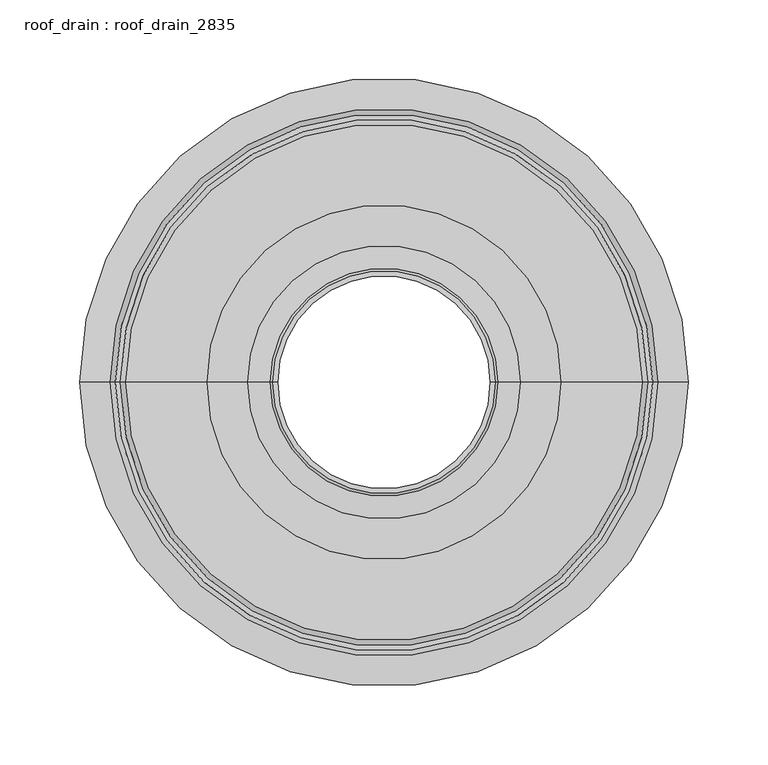
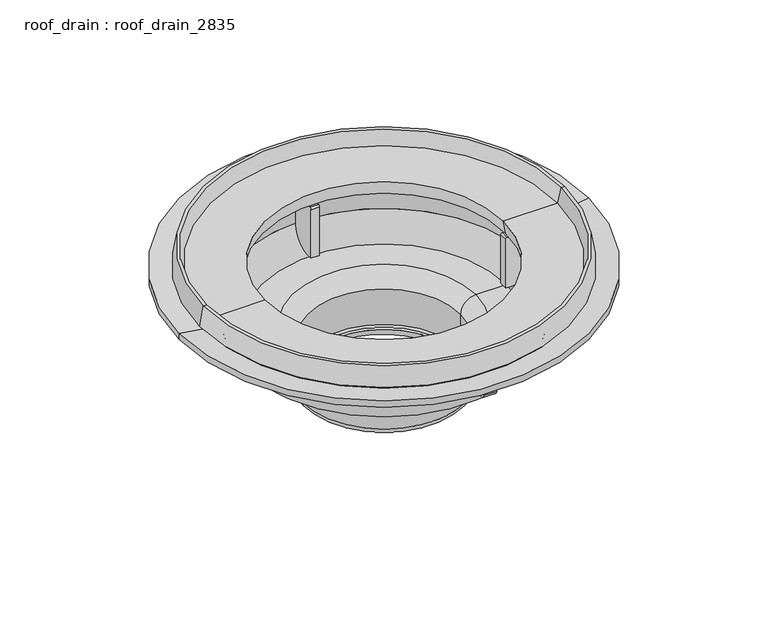
"""IFC4 building model written with IfcOpenShell, lengths in millimetres: proxy geometry, roof_drain : roof_drain_2835."""

from ifc_helpers import new_model, si_unit, point, frame, origin, place, context, project, spatial, polyline, circle_curve, ellipse_curve, trimmed, source, transform, mapped, element, save
from ifc_brep_helpers import plane_surface, cylinder_surface, revolved_surface, advanced_brep


def roof_drain_roof_drain_2835_b5ed63d7(model_context):
    return source(origin(), model_context, "Body", "AdvancedBrep", [
        advanced_brep(
        [(183.7835187, -171.3455573, 3714.6822843), (183.6727128, -168.1724914, 3711.5072843), (182.6754597, -139.6148985, 3711.5072843), (182.6754597, -139.6148985, 3724.2072843), (183.7835187, -171.3455573, 3728.1056941), (171.8164813, -171.3455573, 3714.6822843), (171.8164813, -171.3455573, 3728.1056941), (172.9245403, -139.6148985, 3724.2072843), (172.9245403, -139.6148985, 3711.5072843), (171.9272872, -168.1724914, 3711.5072843)],
        [
            (0, 1, circle_curve(frame((183.6727128, -168.1724914, 3714.6822843), z_axis=(0.9993908270190829, 0.034899496702871076, 0.0), x_axis=(0.034899496702871076, -0.9993908270190829, 0.0)), 3.175)),
            (1, 2),
            (2, 3),
            (3, 4),
            (4, 0),
            (5, 6),
            (6, 7),
            (7, 8),
            (8, 9),
            (9, 5, circle_curve(frame((171.9272872, -168.1724914, 3714.6822843), z_axis=(-0.9993908270191088, 0.0348994967021308, 0.0), x_axis=(-0.0348994967021308, -0.9993908270191088, 0.0)), 3.175)),
            (5, 0, circle_curve(frame((177.8, 0.0, 3714.6822843), z_axis=(0.0, 0.0, 1.0), x_axis=(0.034899496702871076, -0.9993908270190829, 0.0)), 171.45)),
            (4, 6, circle_curve(frame((177.8, 0.0, 3728.1056941), z_axis=(0.0, 0.0, -1.0), x_axis=(0.034899496702871076, -0.9993908270190829, 0.0)), 171.45)),
            (3, 7, circle_curve(frame((177.8, 0.0, 3724.2072843), z_axis=(0.0, 0.0, -1.0), x_axis=(0.034899496702871076, -0.9993908270190829, 0.0)), 139.7)),
            (2, 8, circle_curve(frame((177.8, 0.0, 3711.5072843), z_axis=(0.0, 0.0, -1.0), x_axis=(0.034899496702871076, -0.9993908270190829, 0.0)), 139.7)),
            (1, 9, circle_curve(frame((177.8, 0.0, 3711.5072843), z_axis=(0.0, 0.0, -1.0), x_axis=(0.034899496702871076, -0.9993908270190829, 0.0)), 168.275)),
        ],
        [
            plane_surface(frame((177.8, 0.0, 3905.1822843), z_axis=(0.9993908270190829, 0.034899496702871076, 0.0), x_axis=(0.034899496702871076, -0.9993908270190829, 0.0))),
            plane_surface(frame((177.8, 0.0, 3905.1822843), z_axis=(-0.9993908270191086, 0.03489949670213079, 0.0), x_axis=(-0.03489949670213079, -0.9993908270191086, 0.0))),
            cylinder_surface(frame((177.8, 0.0, 3905.1822843), z_axis=(0.0, 0.0, 1.0), x_axis=(0.034899496702871076, -0.9993908270190829, 0.0)), 171.45),
            revolved_surface(polyline([(183.7835187, -171.3455573, 3728.1056941), (182.6754597, -139.6148985, 3724.2072843)]), (177.8, 0.0, 3905.1822843), (0.0, 0.0, 1.0)),
            revolved_surface(polyline([(182.6754596893911, -139.61489853456587, 3724.2072843), (182.6754596893911, -139.61489853456587, 3711.5072843)]), (177.8, 0.0, 3905.1822843), (0.0, 0.0, 1.0)),
            plane_surface(frame((177.8, 0.0, 3711.5072843), z_axis=(0.0, 0.0, -1.0000000000000002), x_axis=(0.034899496702871076, -0.9993908270190829, 0.0))),
            revolved_surface(trimmed(ellipse_curve(frame((183.6727128, -168.1724914, 3714.6822843), z_axis=(-0.9993908270190829, -0.034899496702871076, 0.0), x_axis=(0.034899496702871076, -0.9993908270190829, 0.0)), 3.175, 3.175), [point((183.6727128, -168.1724914, 3711.5072843))], [point((183.7835187, -171.3455573, 3714.6822843))], True, "CARTESIAN"), (177.8, 0.0, 3905.1822843), (0.0, 0.0, 1.0)),
        ],
        [
            (0, [[1, 2, 3, 4, 5]]),
            (1, [[6, 7, 8, 9, 10]]),
            (2, [[-6, 11, -5, 12]]),
            (3, [[-7, -12, -4, 13]]),
            (4, [[-8, -13, -3, 14]]),
            (5, [[-9, -14, -2, 15]]),
            (6, [[-10, -15, -1, -11]]),
        ],
    ),
        advanced_brep(
        [(181.6782066, -111.0573057, 3725.7947843), (181.7336095, -112.6438386, 3727.3822843), (182.5092508, -134.8552997, 3727.3822843), (182.5092508, -134.8552997, 3698.8072843), (181.7890125, -114.2303715, 3678.1697843), (181.6782066, -111.0573057, 3678.1697843), (173.9217934, -111.0573057, 3725.7947843), (173.9217934, -111.0573057, 3678.1697843), (173.8109875, -114.2303715, 3678.1697843), (173.0907492, -134.8552997, 3698.8072843), (173.0907492, -134.8552997, 3727.3822843), (173.8663905, -112.6438386, 3727.3822843)],
        [
            (0, 1, circle_curve(frame((181.7336095, -112.6438386, 3725.7947843), z_axis=(0.9993908270190829, 0.034899496702871076, 0.0), x_axis=(0.034899496702871076, -0.9993908270190829, 0.0)), 1.5875)),
            (1, 2),
            (2, 3),
            (3, 4, circle_curve(frame((181.7890125, -114.2303715, 3698.8072843), z_axis=(0.9993908270190829, 0.034899496702871076, 0.0), x_axis=(0.034899496702871076, -0.9993908270190829, 0.0)), 20.6375)),
            (4, 5),
            (5, 0),
            (6, 7),
            (7, 8),
            (8, 9, circle_curve(frame((173.8109875, -114.2303715, 3698.8072843), z_axis=(-0.9993908270191088, 0.0348994967021308, 0.0), x_axis=(-0.0348994967021308, -0.9993908270191088, 0.0)), 20.6375)),
            (9, 10),
            (10, 11),
            (11, 6, circle_curve(frame((173.8663905, -112.6438386, 3725.7947843), z_axis=(-0.9993908270191088, 0.0348994967021308, 0.0), x_axis=(-0.0348994967021308, -0.9993908270191088, 0.0)), 1.5875)),
            (6, 0, circle_curve(frame((177.8, 0.0, 3725.7947843), z_axis=(0.0, 0.0, 1.0), x_axis=(0.034899496702871076, -0.9993908270190829, 0.0)), 111.125)),
            (5, 7, circle_curve(frame((177.8, 0.0, 3678.1697843), z_axis=(0.0, 0.0, -1.0), x_axis=(0.034899496702871076, -0.9993908270190829, 0.0)), 111.125)),
            (4, 8, circle_curve(frame((177.8, 0.0, 3678.1697843), z_axis=(0.0, 0.0, -1.0), x_axis=(0.034899496702871076, -0.9993908270190829, 0.0)), 114.3)),
            (3, 9, circle_curve(frame((177.8, 0.0, 3698.8072843), z_axis=(0.0, 0.0, -1.0), x_axis=(0.034899496702871076, -0.9993908270190829, 0.0)), 134.9375)),
            (2, 10, circle_curve(frame((177.8, 0.0, 3727.3822843), z_axis=(0.0, 0.0, -1.0), x_axis=(0.034899496702871076, -0.9993908270190829, 0.0)), 134.9375)),
            (1, 11, circle_curve(frame((177.8, 0.0, 3727.3822843), z_axis=(0.0, 0.0, -1.0), x_axis=(0.034899496702871076, -0.9993908270190829, 0.0)), 112.7125)),
        ],
        [
            plane_surface(frame((177.8, 0.0, 3905.1822843), z_axis=(0.9993908270190829, 0.034899496702871076, 0.0), x_axis=(0.034899496702871076, -0.9993908270190829, 0.0))),
            plane_surface(frame((177.8, 0.0, 3905.1822843), z_axis=(-0.9993908270191086, 0.03489949670213079, 0.0), x_axis=(-0.03489949670213079, -0.9993908270191086, 0.0))),
            revolved_surface(polyline([(181.67820657110656, -111.05730565249559, 3725.7947843), (181.67820657110656, -111.05730565249559, 3678.1697843)]), (177.8, 0.0, 3905.1822843), (0.0, 0.0, 1.0)),
            plane_surface(frame((177.8, 0.0, 3678.1697843), z_axis=(0.0, 0.0, -1.0000000000000002), x_axis=(0.034899496702871076, -0.9993908270190829, 0.0))),
            revolved_surface(trimmed(ellipse_curve(frame((181.7890125, -114.2303715, 3698.8072843), z_axis=(-0.9993908270190829, -0.034899496702871076, 0.0), x_axis=(0.034899496702871076, -0.9993908270190829, 0.0)), 20.6375, 20.6375), [point((181.7890125, -114.2303715, 3678.1697843))], [point((182.5092508, -134.8552997, 3698.8072843))], True, "CARTESIAN"), (177.8, 0.0, 3905.1822843), (0.0, 0.0, 1.0)),
            cylinder_surface(frame((177.8, 0.0, 3905.1822843), z_axis=(0.0, 0.0, 1.0), x_axis=(0.034899496702871076, -0.9993908270190829, 0.0)), 134.9375),
            plane_surface(frame((177.8, 0.0, 3727.3822843), z_axis=(0.0, 0.0, 1.0000000000000002), x_axis=(0.034899496702871076, -0.9993908270190829, 0.0))),
            revolved_surface(trimmed(ellipse_curve(frame((181.7336095, -112.6438386, 3725.7947843), z_axis=(-0.9993908270190829, -0.034899496702871076, 0.0), x_axis=(0.034899496702871076, -0.9993908270190829, 0.0)), 1.5875, 1.5875), [point((181.7336095, -112.6438386, 3727.3822843))], [point((181.6782066, -111.0573057, 3725.7947843))], True, "CARTESIAN"), (177.8, 0.0, 3905.1822843), (0.0, 0.0, 1.0)),
        ],
        [
            (0, [[1, 2, 3, 4, 5, 6]]),
            (1, [[7, 8, 9, 10, 11, 12]]),
            (2, [[-7, 13, -6, 14]]),
            (3, [[-8, -14, -5, 15]]),
            (4, [[-9, -15, -4, 16]]),
            (5, [[-10, -16, -3, 17]]),
            (6, [[-11, -17, -2, 18]]),
            (7, [[-12, -18, -1, -13]]),
        ],
    ),
        advanced_brep(
        [(171.8164813, 171.3455573, 3714.6822843), (171.9272872, 168.1724914, 3711.5072843), (172.9245403, 139.6148985, 3711.5072843), (172.9245403, 139.6148985, 3724.2072843), (171.8164813, 171.3455573, 3728.1056941), (183.7835187, 171.3455573, 3714.6822843), (183.7835187, 171.3455573, 3728.1056941), (182.6754597, 139.6148985, 3724.2072843), (182.6754597, 139.6148985, 3711.5072843), (183.6727128, 168.1724914, 3711.5072843)],
        [
            (0, 1, circle_curve(frame((171.9272872, 168.1724914, 3714.6822843), z_axis=(-0.9993908270190829, -0.034899496702871076, 0.0), x_axis=(-0.034899496702871076, 0.9993908270190829, 0.0)), 3.175)),
            (1, 2),
            (2, 3),
            (3, 4),
            (4, 0),
            (5, 6),
            (6, 7),
            (7, 8),
            (8, 9),
            (9, 5, circle_curve(frame((183.6727128, 168.1724914, 3714.6822843), z_axis=(0.9993908270191088, -0.0348994967021308, 0.0), x_axis=(0.0348994967021308, 0.9993908270191088, 0.0)), 3.175)),
            (5, 0, circle_curve(frame((177.8, 0.0, 3714.6822843), z_axis=(0.0, 0.0, 1.0), x_axis=(-0.034899496702871076, 0.9993908270190829, 0.0)), 171.45)),
            (4, 6, circle_curve(frame((177.8, 0.0, 3728.1056941), z_axis=(0.0, 0.0, -1.0), x_axis=(-0.034899496702871076, 0.9993908270190829, 0.0)), 171.45)),
            (3, 7, circle_curve(frame((177.8, 0.0, 3724.2072843), z_axis=(0.0, 0.0, -1.0), x_axis=(-0.034899496702871076, 0.9993908270190829, 0.0)), 139.7)),
            (2, 8, circle_curve(frame((177.8, 0.0, 3711.5072843), z_axis=(0.0, 0.0, -1.0), x_axis=(-0.034899496702871076, 0.9993908270190829, 0.0)), 139.7)),
            (1, 9, circle_curve(frame((177.8, 0.0, 3711.5072843), z_axis=(0.0, 0.0, -1.0), x_axis=(-0.034899496702871076, 0.9993908270190829, 0.0)), 168.275)),
        ],
        [
            plane_surface(frame((177.8, 0.0, 3905.1822843), z_axis=(-0.9993908270190829, -0.034899496702871076, 0.0), x_axis=(-0.034899496702871076, 0.9993908270190829, 0.0))),
            plane_surface(frame((177.8, 0.0, 3905.1822843), z_axis=(0.9993908270191086, -0.03489949670213079, 0.0), x_axis=(0.03489949670213079, 0.9993908270191086, 0.0))),
            cylinder_surface(frame((177.8, 0.0, 3905.1822843), z_axis=(0.0, 0.0, 1.0), x_axis=(-0.034899496702871076, 0.9993908270190829, 0.0)), 171.45),
            revolved_surface(polyline([(171.8164813, 171.3455573, 3728.1056941), (172.9245403, 139.6148985, 3724.2072843)]), (177.8, 0.0, 3905.1822843), (0.0, 0.0, 1.0)),
            revolved_surface(polyline([(172.92454031060893, 139.61489853456587, 3724.2072843), (172.92454031060893, 139.61489853456587, 3711.5072843)]), (177.8, 0.0, 3905.1822843), (0.0, 0.0, 1.0)),
            plane_surface(frame((177.8, 0.0, 3711.5072843), z_axis=(0.0, 0.0, -1.0000000000000002), x_axis=(-0.034899496702871076, 0.9993908270190829, 0.0))),
            revolved_surface(trimmed(ellipse_curve(frame((171.9272872, 168.1724914, 3714.6822843), z_axis=(0.9993908270190829, 0.034899496702871076, 0.0), x_axis=(-0.034899496702871076, 0.9993908270190829, 0.0)), 3.175, 3.175), [point((171.9272872, 168.1724914, 3711.5072843))], [point((171.8164813, 171.3455573, 3714.6822843))], True, "CARTESIAN"), (177.8, 0.0, 3905.1822843), (0.0, 0.0, 1.0)),
        ],
        [
            (0, [[1, 2, 3, 4, 5]]),
            (1, [[6, 7, 8, 9, 10]]),
            (2, [[-6, 11, -5, 12]]),
            (3, [[-7, -12, -4, 13]]),
            (4, [[-8, -13, -3, 14]]),
            (5, [[-9, -14, -2, 15]]),
            (6, [[-10, -15, -1, -11]]),
        ],
    ),
        advanced_brep(
        [(173.9217934, 111.0573057, 3725.7947843), (173.8663905, 112.6438386, 3727.3822843), (173.0907492, 134.8552997, 3727.3822843), (173.0907492, 134.8552997, 3698.8072843), (173.8109875, 114.2303715, 3678.1697843), (173.9217934, 111.0573057, 3678.1697843), (181.6782066, 111.0573057, 3725.7947843), (181.6782066, 111.0573057, 3678.1697843), (181.7890125, 114.2303715, 3678.1697843), (182.5092508, 134.8552997, 3698.8072843), (182.5092508, 134.8552997, 3727.3822843), (181.7336095, 112.6438386, 3727.3822843)],
        [
            (0, 1, circle_curve(frame((173.8663905, 112.6438386, 3725.7947843), z_axis=(-0.9993908270190829, -0.034899496702871076, 0.0), x_axis=(-0.034899496702871076, 0.9993908270190829, 0.0)), 1.5875)),
            (1, 2),
            (2, 3),
            (3, 4, circle_curve(frame((173.8109875, 114.2303715, 3698.8072843), z_axis=(-0.9993908270190829, -0.034899496702871076, 0.0), x_axis=(-0.034899496702871076, 0.9993908270190829, 0.0)), 20.6375)),
            (4, 5),
            (5, 0),
            (6, 7),
            (7, 8),
            (8, 9, circle_curve(frame((181.7890125, 114.2303715, 3698.8072843), z_axis=(0.9993908270191088, -0.0348994967021308, 0.0), x_axis=(0.0348994967021308, 0.9993908270191088, 0.0)), 20.6375)),
            (9, 10),
            (10, 11),
            (11, 6, circle_curve(frame((181.7336095, 112.6438386, 3725.7947843), z_axis=(0.9993908270191088, -0.0348994967021308, 0.0), x_axis=(0.0348994967021308, 0.9993908270191088, 0.0)), 1.5875)),
            (6, 0, circle_curve(frame((177.8, 0.0, 3725.7947843), z_axis=(0.0, 0.0, 1.0), x_axis=(-0.034899496702871076, 0.9993908270190829, 0.0)), 111.125)),
            (5, 7, circle_curve(frame((177.8, 0.0, 3678.1697843), z_axis=(0.0, 0.0, -1.0), x_axis=(-0.034899496702871076, 0.9993908270190829, 0.0)), 111.125)),
            (4, 8, circle_curve(frame((177.8, 0.0, 3678.1697843), z_axis=(0.0, 0.0, -1.0), x_axis=(-0.034899496702871076, 0.9993908270190829, 0.0)), 114.3)),
            (3, 9, circle_curve(frame((177.8, 0.0, 3698.8072843), z_axis=(0.0, 0.0, -1.0), x_axis=(-0.034899496702871076, 0.9993908270190829, 0.0)), 134.9375)),
            (2, 10, circle_curve(frame((177.8, 0.0, 3727.3822843), z_axis=(0.0, 0.0, -1.0), x_axis=(-0.034899496702871076, 0.9993908270190829, 0.0)), 134.9375)),
            (1, 11, circle_curve(frame((177.8, 0.0, 3727.3822843), z_axis=(0.0, 0.0, -1.0), x_axis=(-0.034899496702871076, 0.9993908270190829, 0.0)), 112.7125)),
        ],
        [
            plane_surface(frame((177.8, 0.0, 3905.1822843), z_axis=(-0.9993908270190829, -0.034899496702871076, 0.0), x_axis=(-0.034899496702871076, 0.9993908270190829, 0.0))),
            plane_surface(frame((177.8, 0.0, 3905.1822843), z_axis=(0.9993908270191086, -0.03489949670213079, 0.0), x_axis=(0.03489949670213079, 0.9993908270191086, 0.0))),
            revolved_surface(polyline([(173.92179342889347, 111.05730565249559, 3725.7947843), (173.92179342889347, 111.05730565249559, 3678.1697843)]), (177.8, 0.0, 3905.1822843), (0.0, 0.0, 1.0)),
            plane_surface(frame((177.8, 0.0, 3678.1697843), z_axis=(0.0, 0.0, -1.0000000000000002), x_axis=(-0.034899496702871076, 0.9993908270190829, 0.0))),
            revolved_surface(trimmed(ellipse_curve(frame((173.8109875, 114.2303715, 3698.8072843), z_axis=(0.9993908270190829, 0.034899496702871076, 0.0), x_axis=(-0.034899496702871076, 0.9993908270190829, 0.0)), 20.6375, 20.6375), [point((173.8109875, 114.2303715, 3678.1697843))], [point((173.0907492, 134.8552997, 3698.8072843))], True, "CARTESIAN"), (177.8, 0.0, 3905.1822843), (0.0, 0.0, 1.0)),
            cylinder_surface(frame((177.8, 0.0, 3905.1822843), z_axis=(0.0, 0.0, 1.0), x_axis=(-0.034899496702871076, 0.9993908270190829, 0.0)), 134.9375),
            plane_surface(frame((177.8, 0.0, 3727.3822843), z_axis=(0.0, 0.0, 1.0000000000000002), x_axis=(-0.034899496702871076, 0.9993908270190829, 0.0))),
            revolved_surface(trimmed(ellipse_curve(frame((173.8663905, 112.6438386, 3725.7947843), z_axis=(0.9993908270190829, 0.034899496702871076, 0.0), x_axis=(-0.034899496702871076, 0.9993908270190829, 0.0)), 1.5875, 1.5875), [point((173.8663905, 112.6438386, 3727.3822843))], [point((173.9217934, 111.0573057, 3725.7947843))], True, "CARTESIAN"), (177.8, 0.0, 3905.1822843), (0.0, 0.0, 1.0)),
        ],
        [
            (0, [[1, 2, 3, 4, 5, 6]]),
            (1, [[7, 8, 9, 10, 11, 12]]),
            (2, [[-7, 13, -6, 14]]),
            (3, [[-8, -14, -5, 15]]),
            (4, [[-9, -15, -4, 16]]),
            (5, [[-10, -16, -3, 17]]),
            (6, [[-11, -17, -2, 18]]),
            (7, [[-12, -18, -1, -13]]),
        ],
    ),
        advanced_brep(
        [(6.4544427, -5.9835187, 3714.6822843), (9.6275086, -5.8727128, 3711.5072843), (38.1851015, -4.8754597, 3711.5072843), (38.1851015, -4.8754597, 3724.2072843), (6.4544427, -5.9835187, 3728.1056941), (6.4544427, 5.9835187, 3714.6822843), (6.4544427, 5.9835187, 3728.1056941), (38.1851015, 4.8754597, 3724.2072843), (38.1851015, 4.8754597, 3711.5072843), (9.6275086, 5.8727128, 3711.5072843)],
        [
            (0, 1, circle_curve(frame((9.6275086, -5.8727128, 3714.6822843), z_axis=(0.034899496702500934, -0.9993908270190958, 0.0), x_axis=(-0.9993908270190958, -0.034899496702500934, 0.0)), 3.175)),
            (1, 2),
            (2, 3),
            (3, 4),
            (4, 0),
            (5, 6),
            (6, 7),
            (7, 8),
            (8, 9),
            (9, 5, circle_curve(frame((9.6275086, 5.8727128, 3714.6822843), z_axis=(0.03489949670250094, 0.9993908270190957, 0.0), x_axis=(-0.9993908270190957, 0.03489949670250094, 0.0)), 3.175)),
            (5, 0, circle_curve(frame((177.8, 0.0, 3714.6822843), z_axis=(0.0, 0.0, 1.0), x_axis=(-0.9993908270190958, -0.034899496702500934, 0.0)), 171.45)),
            (4, 6, circle_curve(frame((177.8, 0.0, 3728.1056941), z_axis=(0.0, 0.0, -1.0), x_axis=(-0.9993908270190958, -0.034899496702500934, 0.0)), 171.45)),
            (3, 7, circle_curve(frame((177.8, 0.0, 3724.2072843), z_axis=(0.0, 0.0, -1.0), x_axis=(-0.9993908270190958, -0.034899496702500934, 0.0)), 139.7)),
            (2, 8, circle_curve(frame((177.8, 0.0, 3711.5072843), z_axis=(0.0, 0.0, -1.0), x_axis=(-0.9993908270190958, -0.034899496702500934, 0.0)), 139.7)),
            (1, 9, circle_curve(frame((177.8, 0.0, 3711.5072843), z_axis=(0.0, 0.0, -1.0), x_axis=(-0.9993908270190958, -0.034899496702500934, 0.0)), 168.275)),
        ],
        [
            plane_surface(frame((177.8, 0.0, 3905.1822843), z_axis=(0.034899496702500934, -0.9993908270190958, 0.0), x_axis=(-0.9993908270190958, -0.034899496702500934, 0.0))),
            plane_surface(frame((177.8, 0.0, 3905.1822843), z_axis=(0.03489949670250094, 0.9993908270190958, 0.0), x_axis=(-0.9993908270190958, 0.03489949670250094, 0.0))),
            cylinder_surface(frame((177.8, 0.0, 3905.1822843), z_axis=(0.0, 0.0, 1.0), x_axis=(-0.9993908270190958, -0.034899496702500934, 0.0)), 171.45),
            revolved_surface(polyline([(6.4544427, -5.9835187, 3728.1056941), (38.1851015, -4.8754597, 3724.2072843)]), (177.8, 0.0, 3905.1822843), (0.0, 0.0, 1.0)),
            revolved_surface(polyline([(38.18510146543235, -4.8754596893393805, 3724.2072843), (38.18510146543235, -4.8754596893393805, 3711.5072843)]), (177.8, 0.0, 3905.1822843), (0.0, 0.0, 1.0)),
            plane_surface(frame((177.8, 0.0, 3711.5072843), z_axis=(0.0, 0.0, -1.0), x_axis=(-0.9993908270190958, -0.034899496702500934, 0.0))),
            revolved_surface(trimmed(ellipse_curve(frame((9.6275086, -5.8727128, 3714.6822843), z_axis=(-0.034899496702500934, 0.9993908270190958, 0.0), x_axis=(-0.9993908270190958, -0.034899496702500934, 0.0)), 3.175, 3.175), [point((9.6275086, -5.8727128, 3711.5072843))], [point((6.4544427, -5.9835187, 3714.6822843))], True, "CARTESIAN"), (177.8, 0.0, 3905.1822843), (0.0, 0.0, 1.0)),
        ],
        [
            (0, [[1, 2, 3, 4, 5]]),
            (1, [[6, 7, 8, 9, 10]]),
            (2, [[-6, 11, -5, 12]]),
            (3, [[-7, -12, -4, 13]]),
            (4, [[-8, -13, -3, 14]]),
            (5, [[-9, -14, -2, 15]]),
            (6, [[-10, -15, -1, -11]]),
        ],
    ),
        advanced_brep(
        [(66.7426943, -3.8782066, 3725.7947843), (65.1561614, -3.9336095, 3727.3822843), (42.9447003, -4.7092508, 3727.3822843), (42.9447003, -4.7092508, 3698.8072843), (63.5696285, -3.9890125, 3678.1697843), (66.7426943, -3.8782066, 3678.1697843), (66.7426943, 3.8782066, 3725.7947843), (66.7426943, 3.8782066, 3678.1697843), (63.5696285, 3.9890125, 3678.1697843), (42.9447003, 4.7092508, 3698.8072843), (42.9447003, 4.7092508, 3727.3822843), (65.1561614, 3.9336095, 3727.3822843)],
        [
            (0, 1, circle_curve(frame((65.1561614, -3.9336095, 3725.7947843), z_axis=(0.034899496702500934, -0.9993908270190958, 0.0), x_axis=(-0.9993908270190958, -0.034899496702500934, 0.0)), 1.5875)),
            (1, 2),
            (2, 3),
            (3, 4, circle_curve(frame((63.5696285, -3.9890125, 3698.8072843), z_axis=(0.034899496702500934, -0.9993908270190958, 0.0), x_axis=(-0.9993908270190958, -0.034899496702500934, 0.0)), 20.6375)),
            (4, 5),
            (5, 0),
            (6, 7),
            (7, 8),
            (8, 9, circle_curve(frame((63.5696285, 3.9890125, 3698.8072843), z_axis=(0.03489949670250094, 0.9993908270190957, 0.0), x_axis=(-0.9993908270190957, 0.03489949670250094, 0.0)), 20.6375)),
            (9, 10),
            (10, 11),
            (11, 6, circle_curve(frame((65.1561614, 3.9336095, 3725.7947843), z_axis=(0.03489949670250094, 0.9993908270190957, 0.0), x_axis=(-0.9993908270190957, 0.03489949670250094, 0.0)), 1.5875)),
            (6, 0, circle_curve(frame((177.8, 0.0, 3725.7947843), z_axis=(0.0, 0.0, 1.0), x_axis=(-0.9993908270190958, -0.034899496702500934, 0.0)), 111.125)),
            (5, 7, circle_curve(frame((177.8, 0.0, 3678.1697843), z_axis=(0.0, 0.0, -1.0), x_axis=(-0.9993908270190958, -0.034899496702500934, 0.0)), 111.125)),
            (4, 8, circle_curve(frame((177.8, 0.0, 3678.1697843), z_axis=(0.0, 0.0, -1.0), x_axis=(-0.9993908270190958, -0.034899496702500934, 0.0)), 114.3)),
            (3, 9, circle_curve(frame((177.8, 0.0, 3698.8072843), z_axis=(0.0, 0.0, -1.0), x_axis=(-0.9993908270190958, -0.034899496702500934, 0.0)), 134.9375)),
            (2, 10, circle_curve(frame((177.8, 0.0, 3727.3822843), z_axis=(0.0, 0.0, -1.0), x_axis=(-0.9993908270190958, -0.034899496702500934, 0.0)), 134.9375)),
            (1, 11, circle_curve(frame((177.8, 0.0, 3727.3822843), z_axis=(0.0, 0.0, -1.0), x_axis=(-0.9993908270190958, -0.034899496702500934, 0.0)), 112.7125)),
        ],
        [
            plane_surface(frame((177.8, 0.0, 3905.1822843), z_axis=(0.034899496702500934, -0.9993908270190958, 0.0), x_axis=(-0.9993908270190958, -0.034899496702500934, 0.0))),
            plane_surface(frame((177.8, 0.0, 3905.1822843), z_axis=(0.03489949670250094, 0.9993908270190958, 0.0), x_axis=(-0.9993908270190958, 0.03489949670250094, 0.0))),
            revolved_surface(polyline([(66.74269434750299, -3.8782065710654163, 3725.7947843), (66.74269434750299, -3.8782065710654163, 3678.1697843)]), (177.8, 0.0, 3905.1822843), (0.0, 0.0, 1.0)),
            plane_surface(frame((177.8, 0.0, 3678.1697843), z_axis=(0.0, 0.0, -1.0), x_axis=(-0.9993908270190958, -0.034899496702500934, 0.0))),
            revolved_surface(trimmed(ellipse_curve(frame((63.5696285, -3.9890125, 3698.8072843), z_axis=(-0.034899496702500934, 0.9993908270190958, 0.0), x_axis=(-0.9993908270190958, -0.034899496702500934, 0.0)), 20.6375, 20.6375), [point((63.5696285, -3.9890125, 3678.1697843))], [point((42.9447003, -4.7092508, 3698.8072843))], True, "CARTESIAN"), (177.8, 0.0, 3905.1822843), (0.0, 0.0, 1.0)),
            cylinder_surface(frame((177.8, 0.0, 3905.1822843), z_axis=(0.0, 0.0, 1.0), x_axis=(-0.9993908270190958, -0.034899496702500934, 0.0)), 134.9375),
            plane_surface(frame((177.8, 0.0, 3727.3822843), z_axis=(0.0, 0.0, 1.0), x_axis=(-0.9993908270190958, -0.034899496702500934, 0.0))),
            revolved_surface(trimmed(ellipse_curve(frame((65.1561614, -3.9336095, 3725.7947843), z_axis=(-0.034899496702500934, 0.9993908270190958, 0.0), x_axis=(-0.9993908270190958, -0.034899496702500934, 0.0)), 1.5875, 1.5875), [point((65.1561614, -3.9336095, 3727.3822843))], [point((66.7426943, -3.8782066, 3725.7947843))], True, "CARTESIAN"), (177.8, 0.0, 3905.1822843), (0.0, 0.0, 1.0)),
        ],
        [
            (0, [[1, 2, 3, 4, 5, 6]]),
            (1, [[7, 8, 9, 10, 11, 12]]),
            (2, [[-7, 13, -6, 14]]),
            (3, [[-8, -14, -5, 15]]),
            (4, [[-9, -15, -4, 16]]),
            (5, [[-10, -16, -3, 17]]),
            (6, [[-11, -17, -2, 18]]),
            (7, [[-12, -18, -1, -13]]),
        ],
    ),
        advanced_brep(
        [(349.1455573, 5.9835187, 3714.6822843), (345.9724914, 5.8727128, 3711.5072843), (317.4148985, 4.8754597, 3711.5072843), (317.4148985, 4.8754597, 3724.2072843), (349.1455573, 5.9835187, 3728.1056941), (349.1455573, -5.9835187, 3714.6822843), (349.1455573, -5.9835187, 3728.1056941), (317.4148985, -4.8754597, 3724.2072843), (317.4148985, -4.8754597, 3711.5072843), (345.9724914, -5.8727128, 3711.5072843)],
        [
            (0, 1, circle_curve(frame((345.9724914, 5.8727128, 3714.6822843), z_axis=(-0.034899496702500934, 0.9993908270190958, 0.0), x_axis=(0.9993908270190958, 0.034899496702500934, 0.0)), 3.175)),
            (1, 2),
            (2, 3),
            (3, 4),
            (4, 0),
            (5, 6),
            (6, 7),
            (7, 8),
            (8, 9),
            (9, 5, circle_curve(frame((345.9724914, -5.8727128, 3714.6822843), z_axis=(-0.03489949670250094, -0.9993908270190957, 0.0), x_axis=(0.9993908270190957, -0.03489949670250094, 0.0)), 3.175)),
            (5, 0, circle_curve(frame((177.8, 0.0, 3714.6822843), z_axis=(0.0, 0.0, 1.0), x_axis=(0.9993908270190958, 0.034899496702500934, 0.0)), 171.45)),
            (4, 6, circle_curve(frame((177.8, 0.0, 3728.1056941), z_axis=(0.0, 0.0, -1.0), x_axis=(0.9993908270190958, 0.034899496702500934, 0.0)), 171.45)),
            (3, 7, circle_curve(frame((177.8, 0.0, 3724.2072843), z_axis=(0.0, 0.0, -1.0), x_axis=(0.9993908270190958, 0.034899496702500934, 0.0)), 139.7)),
            (2, 8, circle_curve(frame((177.8, 0.0, 3711.5072843), z_axis=(0.0, 0.0, -1.0), x_axis=(0.9993908270190958, 0.034899496702500934, 0.0)), 139.7)),
            (1, 9, circle_curve(frame((177.8, 0.0, 3711.5072843), z_axis=(0.0, 0.0, -1.0), x_axis=(0.9993908270190958, 0.034899496702500934, 0.0)), 168.275)),
        ],
        [
            plane_surface(frame((177.8, 0.0, 3905.1822843), z_axis=(-0.034899496702500934, 0.9993908270190958, 0.0), x_axis=(0.9993908270190958, 0.034899496702500934, 0.0))),
            plane_surface(frame((177.8, 0.0, 3905.1822843), z_axis=(-0.03489949670250094, -0.9993908270190958, 0.0), x_axis=(0.9993908270190958, -0.03489949670250094, 0.0))),
            cylinder_surface(frame((177.8, 0.0, 3905.1822843), z_axis=(0.0, 0.0, 1.0), x_axis=(0.9993908270190958, 0.034899496702500934, 0.0)), 171.45),
            revolved_surface(polyline([(349.1455573, 5.9835187, 3728.1056941), (317.4148985, 4.8754597, 3724.2072843)]), (177.8, 0.0, 3905.1822843), (0.0, 0.0, 1.0)),
            revolved_surface(polyline([(317.41489853456767, 4.8754596893393805, 3724.2072843), (317.41489853456767, 4.8754596893393805, 3711.5072843)]), (177.8, 0.0, 3905.1822843), (0.0, 0.0, 1.0)),
            plane_surface(frame((177.8, 0.0, 3711.5072843), z_axis=(0.0, 0.0, -1.0), x_axis=(0.9993908270190958, 0.034899496702500934, 0.0))),
            revolved_surface(trimmed(ellipse_curve(frame((345.9724914, 5.8727128, 3714.6822843), z_axis=(0.034899496702500934, -0.9993908270190958, 0.0), x_axis=(0.9993908270190958, 0.034899496702500934, 0.0)), 3.175, 3.175), [point((345.9724914, 5.8727128, 3711.5072843))], [point((349.1455573, 5.9835187, 3714.6822843))], True, "CARTESIAN"), (177.8, 0.0, 3905.1822843), (0.0, 0.0, 1.0)),
        ],
        [
            (0, [[1, 2, 3, 4, 5]]),
            (1, [[6, 7, 8, 9, 10]]),
            (2, [[-6, 11, -5, 12]]),
            (3, [[-7, -12, -4, 13]]),
            (4, [[-8, -13, -3, 14]]),
            (5, [[-9, -14, -2, 15]]),
            (6, [[-10, -15, -1, -11]]),
        ],
    ),
        advanced_brep(
        [(288.8573057, 3.8782066, 3725.7947843), (290.4438386, 3.9336095, 3727.3822843), (312.6552997, 4.7092508, 3727.3822843), (312.6552997, 4.7092508, 3698.8072843), (292.0303715, 3.9890125, 3678.1697843), (288.8573057, 3.8782066, 3678.1697843), (288.8573057, -3.8782066, 3725.7947843), (288.8573057, -3.8782066, 3678.1697843), (292.0303715, -3.9890125, 3678.1697843), (312.6552997, -4.7092508, 3698.8072843), (312.6552997, -4.7092508, 3727.3822843), (290.4438386, -3.9336095, 3727.3822843)],
        [
            (0, 1, circle_curve(frame((290.4438386, 3.9336095, 3725.7947843), z_axis=(-0.034899496702500934, 0.9993908270190958, 0.0), x_axis=(0.9993908270190958, 0.034899496702500934, 0.0)), 1.5875)),
            (1, 2),
            (2, 3),
            (3, 4, circle_curve(frame((292.0303715, 3.9890125, 3698.8072843), z_axis=(-0.034899496702500934, 0.9993908270190958, 0.0), x_axis=(0.9993908270190958, 0.034899496702500934, 0.0)), 20.6375)),
            (4, 5),
            (5, 0),
            (6, 7),
            (7, 8),
            (8, 9, circle_curve(frame((292.0303715, -3.9890125, 3698.8072843), z_axis=(-0.03489949670250094, -0.9993908270190957, 0.0), x_axis=(0.9993908270190957, -0.03489949670250094, 0.0)), 20.6375)),
            (9, 10),
            (10, 11),
            (11, 6, circle_curve(frame((290.4438386, -3.9336095, 3725.7947843), z_axis=(-0.03489949670250094, -0.9993908270190957, 0.0), x_axis=(0.9993908270190957, -0.03489949670250094, 0.0)), 1.5875)),
            (6, 0, circle_curve(frame((177.8, 0.0, 3725.7947843), z_axis=(0.0, 0.0, 1.0), x_axis=(0.9993908270190958, 0.034899496702500934, 0.0)), 111.125)),
            (5, 7, circle_curve(frame((177.8, 0.0, 3678.1697843), z_axis=(0.0, 0.0, -1.0), x_axis=(0.9993908270190958, 0.034899496702500934, 0.0)), 111.125)),
            (4, 8, circle_curve(frame((177.8, 0.0, 3678.1697843), z_axis=(0.0, 0.0, -1.0), x_axis=(0.9993908270190958, 0.034899496702500934, 0.0)), 114.3)),
            (3, 9, circle_curve(frame((177.8, 0.0, 3698.8072843), z_axis=(0.0, 0.0, -1.0), x_axis=(0.9993908270190958, 0.034899496702500934, 0.0)), 134.9375)),
            (2, 10, circle_curve(frame((177.8, 0.0, 3727.3822843), z_axis=(0.0, 0.0, -1.0), x_axis=(0.9993908270190958, 0.034899496702500934, 0.0)), 134.9375)),
            (1, 11, circle_curve(frame((177.8, 0.0, 3727.3822843), z_axis=(0.0, 0.0, -1.0), x_axis=(0.9993908270190958, 0.034899496702500934, 0.0)), 112.7125)),
        ],
        [
            plane_surface(frame((177.8, 0.0, 3905.1822843), z_axis=(-0.034899496702500934, 0.9993908270190958, 0.0), x_axis=(0.9993908270190958, 0.034899496702500934, 0.0))),
            plane_surface(frame((177.8, 0.0, 3905.1822843), z_axis=(-0.03489949670250094, -0.9993908270190958, 0.0), x_axis=(0.9993908270190958, -0.03489949670250094, 0.0))),
            revolved_surface(polyline([(288.857305652497, 3.8782065710654163, 3725.7947843), (288.857305652497, 3.8782065710654163, 3678.1697843)]), (177.8, 0.0, 3905.1822843), (0.0, 0.0, 1.0)),
            plane_surface(frame((177.8, 0.0, 3678.1697843), z_axis=(0.0, 0.0, -1.0), x_axis=(0.9993908270190958, 0.034899496702500934, 0.0))),
            revolved_surface(trimmed(ellipse_curve(frame((292.0303715, 3.9890125, 3698.8072843), z_axis=(0.034899496702500934, -0.9993908270190958, 0.0), x_axis=(0.9993908270190958, 0.034899496702500934, 0.0)), 20.6375, 20.6375), [point((292.0303715, 3.9890125, 3678.1697843))], [point((312.6552997, 4.7092508, 3698.8072843))], True, "CARTESIAN"), (177.8, 0.0, 3905.1822843), (0.0, 0.0, 1.0)),
            cylinder_surface(frame((177.8, 0.0, 3905.1822843), z_axis=(0.0, 0.0, 1.0), x_axis=(0.9993908270190958, 0.034899496702500934, 0.0)), 134.9375),
            plane_surface(frame((177.8, 0.0, 3727.3822843), z_axis=(0.0, 0.0, 1.0), x_axis=(0.9993908270190958, 0.034899496702500934, 0.0))),
            revolved_surface(trimmed(ellipse_curve(frame((290.4438386, 3.9336095, 3725.7947843), z_axis=(0.034899496702500934, -0.9993908270190958, 0.0), x_axis=(0.9993908270190958, 0.034899496702500934, 0.0)), 1.5875, 1.5875), [point((290.4438386, 3.9336095, 3727.3822843))], [point((288.8573057, 3.8782066, 3725.7947843))], True, "CARTESIAN"), (177.8, 0.0, 3905.1822843), (0.0, 0.0, 1.0)),
        ],
        [
            (0, [[1, 2, 3, 4, 5, 6]]),
            (1, [[7, 8, 9, 10, 11, 12]]),
            (2, [[-7, 13, -6, 14]]),
            (3, [[-8, -14, -5, 15]]),
            (4, [[-9, -15, -4, 16]]),
            (5, [[-10, -16, -3, 17]]),
            (6, [[-11, -17, -2, 18]]),
            (7, [[-12, -18, -1, -13]]),
        ],
    ),
        advanced_brep(
        [(19.05, 0.0, 3732.1447843), (-12.7, 0.0, 3736.9072843), (368.3, 0.0, 3736.9072843), (336.55, 0.0, 3732.1447843), (42.8625, 0.0, 3732.1447843), (312.7375, 0.0, 3732.1447843), (42.8625, 0.0, 3698.8072843), (312.7375, 0.0, 3698.8072843), (63.5, 0.0, 3678.1697843), (292.1, 0.0, 3678.1697843), (92.075, 0.0, 3678.1697843), (263.525, 0.0, 3678.1697843), (106.3625, 0.0, 3663.8822843), (249.2375, 0.0, 3663.8822843), (106.3625, 0.0, 3628.9572843), (249.2375, 0.0, 3628.9572843), (107.95, 0.0, 3627.3697843), (247.65, 0.0, 3627.3697843), (111.125, 0.0, 3627.3697843), (244.475, 0.0, 3627.3697843), (111.125, 0.0, 3622.6072843), (244.475, 0.0, 3622.6072843), (107.95, 0.0, 3622.6072843), (247.65, 0.0, 3622.6072843), (101.6, 0.0, 3628.9572843), (254.0, 0.0, 3628.9572843), (101.6, 0.0, 3663.8822843), (254.0, 0.0, 3663.8822843), (92.075, 0.0, 3673.4072843), (263.525, 0.0, 3673.4072843), (63.5, 0.0, 3673.4072843), (292.1, 0.0, 3673.4072843), (38.1, 0.0, 3698.8072843), (317.5, 0.0, 3698.8072843), (38.1, 0.0, 3724.2072843), (317.5, 0.0, 3724.2072843), (-12.7, 0.0, 3730.5572843), (368.3, 0.0, 3730.5572843)],
        [
            (0, 1),
            (1, 2, circle_curve(frame((177.8, 0.0, 3736.9072843), z_axis=(0.0, 0.0, 1.0), x_axis=(1.0, 0.0, 0.0)), 190.5)),
            (2, 3),
            (3, 0, circle_curve(frame((177.8, 0.0, 3732.1447843), z_axis=(0.0, 0.0, -1.0), x_axis=(1.0, 0.0, 0.0)), 158.75)),
            (2, 1, circle_curve(frame((177.8, 0.0, 3736.9072843), z_axis=(0.0, 0.0, 1.0), x_axis=(1.0, 0.0, 0.0)), 190.5)),
            (0, 3, circle_curve(frame((177.8, 0.0, 3732.1447843), z_axis=(0.0, 0.0, -1.0), x_axis=(1.0, 0.0, 0.0)), 158.75)),
            (4, 0),
            (3, 5),
            (5, 4, circle_curve(frame((177.8, 0.0, 3732.1447843), z_axis=(0.0, 0.0, -1.0), x_axis=(1.0, 0.0, 0.0)), 134.9375)),
            (4, 5, circle_curve(frame((177.8, 0.0, 3732.1447843), z_axis=(0.0, 0.0, -1.0), x_axis=(1.0, 0.0, 0.0)), 134.9375)),
            (6, 4),
            (5, 7),
            (7, 6, circle_curve(frame((177.8, 0.0, 3698.8072843), z_axis=(0.0, 0.0, -1.0), x_axis=(1.0, 0.0, 0.0)), 134.9375)),
            (6, 7, circle_curve(frame((177.8, 0.0, 3698.8072843), z_axis=(0.0, 0.0, -1.0), x_axis=(1.0, 0.0, 0.0)), 134.9375)),
            (8, 6, circle_curve(frame((63.5, 0.0, 3698.8072843), z_axis=(0.0, 1.0, 0.0), x_axis=(-1.0, 0.0, 0.0)), 20.6375)),
            (7, 9, circle_curve(frame((292.1, 0.0, 3698.8072843), z_axis=(0.0, 1.0, 0.0), x_axis=(1.0, 0.0, 0.0)), 20.6375)),
            (9, 8, circle_curve(frame((177.8, 0.0, 3678.1697843), z_axis=(0.0, 0.0, -1.0), x_axis=(1.0, 0.0, 0.0)), 114.3)),
            (8, 9, circle_curve(frame((177.8, 0.0, 3678.1697843), z_axis=(0.0, 0.0, -1.0), x_axis=(1.0, 0.0, 0.0)), 114.3)),
            (10, 8),
            (9, 11),
            (11, 10, circle_curve(frame((177.8, 0.0, 3678.1697843), z_axis=(0.0, 0.0, -1.0), x_axis=(1.0, 0.0, 0.0)), 85.725)),
            (10, 11, circle_curve(frame((177.8, 0.0, 3678.1697843), z_axis=(0.0, 0.0, -1.0), x_axis=(1.0, 0.0, 0.0)), 85.725)),
            (12, 10, circle_curve(frame((92.075, 0.0, 3663.8822843), z_axis=(0.0, -1.0, 0.0), x_axis=(-1.0, 0.0, 0.0)), 14.2875)),
            (11, 13, circle_curve(frame((263.525, 0.0, 3663.8822843), z_axis=(0.0, -1.0, 0.0), x_axis=(1.0, 0.0, 0.0)), 14.2875)),
            (13, 12, circle_curve(frame((177.8, 0.0, 3663.8822843), z_axis=(0.0, 0.0, -1.0), x_axis=(1.0, 0.0, 0.0)), 71.4375)),
            (12, 13, circle_curve(frame((177.8, 0.0, 3663.8822843), z_axis=(0.0, 0.0, -1.0), x_axis=(1.0, 0.0, 0.0)), 71.4375)),
            (14, 12),
            (13, 15),
            (15, 14, circle_curve(frame((177.8, 0.0, 3628.9572843), z_axis=(0.0, 0.0, -1.0), x_axis=(1.0, 0.0, 0.0)), 71.4375)),
            (14, 15, circle_curve(frame((177.8, 0.0, 3628.9572843), z_axis=(0.0, 0.0, -1.0), x_axis=(1.0, 0.0, 0.0)), 71.4375)),
            (16, 14, circle_curve(frame((107.95, 0.0, 3628.9572843), z_axis=(0.0, 1.0, 0.0), x_axis=(-1.0, 0.0, 0.0)), 1.5875)),
            (15, 17, circle_curve(frame((247.65, 0.0, 3628.9572843), z_axis=(0.0, 1.0, 0.0), x_axis=(1.0, 0.0, 0.0)), 1.5875)),
            (17, 16, circle_curve(frame((177.8, 0.0, 3627.3697843), z_axis=(0.0, 0.0, -1.0), x_axis=(1.0, 0.0, 0.0)), 69.85)),
            (16, 17, circle_curve(frame((177.8, 0.0, 3627.3697843), z_axis=(0.0, 0.0, -1.0), x_axis=(1.0, 0.0, 0.0)), 69.85)),
            (18, 16),
            (17, 19),
            (19, 18, circle_curve(frame((177.8, 0.0, 3627.3697843), z_axis=(0.0, 0.0, -1.0), x_axis=(1.0, 0.0, 0.0)), 66.675)),
            (18, 19, circle_curve(frame((177.8, 0.0, 3627.3697843), z_axis=(0.0, 0.0, -1.0), x_axis=(1.0, 0.0, 0.0)), 66.675)),
            (20, 18),
            (19, 21),
            (21, 20, circle_curve(frame((177.8, 0.0, 3622.6072843), z_axis=(0.0, 0.0, -1.0), x_axis=(1.0, 0.0, 0.0)), 66.675)),
            (20, 21, circle_curve(frame((177.8, 0.0, 3622.6072843), z_axis=(0.0, 0.0, -1.0), x_axis=(1.0, 0.0, 0.0)), 66.675)),
            (22, 20),
            (21, 23),
            (23, 22, circle_curve(frame((177.8, 0.0, 3622.6072843), z_axis=(0.0, 0.0, -1.0), x_axis=(1.0, 0.0, 0.0)), 69.85)),
            (22, 23, circle_curve(frame((177.8, 0.0, 3622.6072843), z_axis=(0.0, 0.0, -1.0), x_axis=(1.0, 0.0, 0.0)), 69.85)),
            (24, 22, circle_curve(frame((107.95, 0.0, 3628.9572843), z_axis=(0.0, -1.0, 0.0), x_axis=(-1.0, 0.0, 0.0)), 6.35)),
            (23, 25, circle_curve(frame((247.65, 0.0, 3628.9572843), z_axis=(0.0, -1.0, 0.0), x_axis=(1.0, 0.0, 0.0)), 6.35)),
            (25, 24, circle_curve(frame((177.8, 0.0, 3628.9572843), z_axis=(0.0, 0.0, -1.0), x_axis=(1.0, 0.0, 0.0)), 76.2)),
            (24, 25, circle_curve(frame((177.8, 0.0, 3628.9572843), z_axis=(0.0, 0.0, -1.0), x_axis=(1.0, 0.0, 0.0)), 76.2)),
            (26, 24),
            (25, 27),
            (27, 26, circle_curve(frame((177.8, 0.0, 3663.8822843), z_axis=(0.0, 0.0, -1.0), x_axis=(1.0, 0.0, 0.0)), 76.2)),
            (26, 27, circle_curve(frame((177.8, 0.0, 3663.8822843), z_axis=(0.0, 0.0, -1.0), x_axis=(1.0, 0.0, 0.0)), 76.2)),
            (28, 26, circle_curve(frame((92.075, 0.0, 3663.8822843), z_axis=(0.0, 1.0, 0.0), x_axis=(-1.0, 0.0, 0.0)), 9.525)),
            (27, 29, circle_curve(frame((263.525, 0.0, 3663.8822843), z_axis=(0.0, 1.0, 0.0), x_axis=(1.0, 0.0, 0.0)), 9.525)),
            (29, 28, circle_curve(frame((177.8, 0.0, 3673.4072843), z_axis=(0.0, 0.0, -1.0), x_axis=(1.0, 0.0, 0.0)), 85.725)),
            (28, 29, circle_curve(frame((177.8, 0.0, 3673.4072843), z_axis=(0.0, 0.0, -1.0), x_axis=(1.0, 0.0, 0.0)), 85.725)),
            (30, 28),
            (29, 31),
            (31, 30, circle_curve(frame((177.8, 0.0, 3673.4072843), z_axis=(0.0, 0.0, -1.0), x_axis=(1.0, 0.0, 0.0)), 114.3)),
            (30, 31, circle_curve(frame((177.8, 0.0, 3673.4072843), z_axis=(0.0, 0.0, -1.0), x_axis=(1.0, 0.0, 0.0)), 114.3)),
            (32, 30, circle_curve(frame((63.5, 0.0, 3698.8072843), z_axis=(0.0, -1.0, 0.0), x_axis=(-1.0, 0.0, 0.0)), 25.4)),
            (31, 33, circle_curve(frame((292.1, 0.0, 3698.8072843), z_axis=(0.0, -1.0, 0.0), x_axis=(1.0, 0.0, 0.0)), 25.4)),
            (33, 32, circle_curve(frame((177.8, 0.0, 3698.8072843), z_axis=(0.0, 0.0, -1.0), x_axis=(1.0, 0.0, 0.0)), 139.7)),
            (32, 33, circle_curve(frame((177.8, 0.0, 3698.8072843), z_axis=(0.0, 0.0, -1.0), x_axis=(1.0, 0.0, 0.0)), 139.7)),
            (34, 32),
            (33, 35),
            (35, 34, circle_curve(frame((177.8, 0.0, 3724.2072843), z_axis=(0.0, 0.0, -1.0), x_axis=(1.0, 0.0, 0.0)), 139.7)),
            (34, 35, circle_curve(frame((177.8, 0.0, 3724.2072843), z_axis=(0.0, 0.0, -1.0), x_axis=(1.0, 0.0, 0.0)), 139.7)),
            (36, 34),
            (35, 37),
            (37, 36, circle_curve(frame((177.8, 0.0, 3730.5572843), z_axis=(0.0, 0.0, -1.0), x_axis=(1.0, 0.0, 0.0)), 190.5)),
            (36, 37, circle_curve(frame((177.8, 0.0, 3730.5572843), z_axis=(0.0, 0.0, -1.0), x_axis=(1.0, 0.0, 0.0)), 190.5)),
            (1, 36),
            (37, 2),
        ],
        [
            revolved_surface(polyline([(368.3, 0.0, 3736.9072843), (336.55, 0.0, 3732.1447843)]), (177.8, 0.0, 3578.1572843), (0.0, 0.0, 1.0)),
            plane_surface(frame((177.8, 0.0, 3732.1447843), z_axis=(0.0, 0.0, 1.0), x_axis=(1.0, 0.0, 0.0))),
            revolved_surface(polyline([(312.7375, 0.0, 3732.1447843), (312.7375, 0.0, 3698.8072843)]), (177.8, 0.0, 3578.1572843), (0.0, 0.0, 1.0)),
            revolved_surface(trimmed(ellipse_curve(frame((292.1, 0.0, 3698.8072843), z_axis=(0.0, 1.0, 0.0), x_axis=(1.0, 0.0, 0.0)), 20.6375, 20.6375), [point((312.7375, 0.0, 3698.8072843))], [point((292.1, 0.0, 3678.1697843))], True, "CARTESIAN"), (177.8, 0.0, 3578.1572843), (0.0, 0.0, 1.0)),
            plane_surface(frame((177.8, 0.0, 3678.1697843), z_axis=(0.0, 0.0, 1.0), x_axis=(1.0, 0.0, 0.0))),
            revolved_surface(trimmed(ellipse_curve(frame((263.525, 0.0, 3663.8822843), z_axis=(0.0, -1.0, 0.0), x_axis=(1.0, 0.0, 0.0)), 14.2875, 14.2875), [point((263.525, 0.0, 3678.1697843))], [point((249.2375, 0.0, 3663.8822843))], True, "CARTESIAN"), (177.8, 0.0, 3578.1572843), (0.0, 0.0, 1.0)),
            revolved_surface(polyline([(249.2375, 0.0, 3663.8822843), (249.2375, 0.0, 3628.9572843)]), (177.8, 0.0, 3578.1572843), (0.0, 0.0, 1.0)),
            revolved_surface(trimmed(ellipse_curve(frame((247.65, 0.0, 3628.9572843), z_axis=(0.0, 1.0, 0.0), x_axis=(1.0, 0.0, 0.0)), 1.5875, 1.5875), [point((249.2375, 0.0, 3628.9572843))], [point((247.65, 0.0, 3627.3697843))], True, "CARTESIAN"), (177.8, 0.0, 3578.1572843), (0.0, 0.0, 1.0)),
            plane_surface(frame((177.8, 0.0, 3627.3697843), z_axis=(0.0, 0.0, 1.0), x_axis=(1.0, 0.0, 0.0))),
            revolved_surface(polyline([(244.47500000000002, 0.0, 3627.3697843), (244.47500000000002, 0.0, 3622.6072843)]), (177.8, 0.0, 3578.1572843), (0.0, 0.0, 1.0)),
            plane_surface(frame((177.8, 0.0, 3622.6072843), z_axis=(0.0, 0.0, -1.0), x_axis=(1.0, 0.0, 0.0))),
            revolved_surface(trimmed(ellipse_curve(frame((247.65, 0.0, 3628.9572843), z_axis=(0.0, -1.0, 0.0), x_axis=(1.0, 0.0, 0.0)), 6.35, 6.35), [point((247.65, 0.0, 3622.6072843))], [point((254.0, 0.0, 3628.9572843))], True, "CARTESIAN"), (177.8, 0.0, 3578.1572843), (0.0, 0.0, 1.0)),
            cylinder_surface(frame((177.8, 0.0, 3578.1572843), z_axis=(0.0, 0.0, 1.0), x_axis=(1.0, 0.0, 0.0)), 76.2),
            revolved_surface(trimmed(ellipse_curve(frame((263.525, 0.0, 3663.8822843), z_axis=(0.0, 1.0, 0.0), x_axis=(1.0, 0.0, 0.0)), 9.525, 9.525), [point((254.0, 0.0, 3663.8822843))], [point((263.525, 0.0, 3673.4072843))], True, "CARTESIAN"), (177.8, 0.0, 3578.1572843), (0.0, 0.0, 1.0)),
            plane_surface(frame((177.8, 0.0, 3673.4072843), z_axis=(0.0, 0.0, -1.0), x_axis=(1.0, 0.0, 0.0))),
            revolved_surface(trimmed(ellipse_curve(frame((292.1, 0.0, 3698.8072843), z_axis=(0.0, -1.0, 0.0), x_axis=(1.0, 0.0, 0.0)), 25.4, 25.4), [point((292.1, 0.0, 3673.4072843))], [point((317.5, 0.0, 3698.8072843))], True, "CARTESIAN"), (177.8, 0.0, 3578.1572843), (0.0, 0.0, 1.0)),
            cylinder_surface(frame((177.8, 0.0, 3578.1572843), z_axis=(0.0, 0.0, 1.0), x_axis=(1.0, 0.0, 0.0)), 139.7),
            revolved_surface(polyline([(317.5, 0.0, 3724.2072843), (368.3, 0.0, 3730.5572843)]), (177.8, 0.0, 3578.1572843), (0.0, 0.0, 1.0)),
            cylinder_surface(frame((177.8, 0.0, 3578.1572843), z_axis=(0.0, 0.0, 1.0), x_axis=(1.0, 0.0, 0.0)), 190.5),
        ],
        [
            (0, [[1, 2, 3, 4]]),
            (0, [[-3, 5, -1, 6]]),
            (1, [[7, -4, 8, 9]]),
            (1, [[-8, -6, -7, 10]]),
            (2, [[11, -9, 12, 13]]),
            (2, [[-12, -10, -11, 14]]),
            (3, [[15, -13, 16, 17]]),
            (3, [[-16, -14, -15, 18]]),
            (4, [[19, -17, 20, 21]]),
            (4, [[-20, -18, -19, 22]]),
            (5, [[23, -21, 24, 25]]),
            (5, [[-24, -22, -23, 26]]),
            (6, [[27, -25, 28, 29]]),
            (6, [[-28, -26, -27, 30]]),
            (7, [[31, -29, 32, 33]]),
            (7, [[-32, -30, -31, 34]]),
            (8, [[35, -33, 36, 37]]),
            (8, [[-36, -34, -35, 38]]),
            (9, [[39, -37, 40, 41]]),
            (9, [[-40, -38, -39, 42]]),
            (10, [[43, -41, 44, 45]]),
            (10, [[-44, -42, -43, 46]]),
            (11, [[47, -45, 48, 49]]),
            (11, [[-48, -46, -47, 50]]),
            (12, [[51, -49, 52, 53]]),
            (12, [[-52, -50, -51, 54]]),
            (13, [[55, -53, 56, 57]]),
            (13, [[-56, -54, -55, 58]]),
            (14, [[59, -57, 60, 61]]),
            (14, [[-60, -58, -59, 62]]),
            (15, [[63, -61, 64, 65]]),
            (15, [[-64, -62, -63, 66]]),
            (16, [[67, -65, 68, 69]]),
            (16, [[-68, -66, -67, 70]]),
            (17, [[71, -69, 72, 73]]),
            (17, [[-72, -70, -71, 74]]),
            (18, [[75, -73, 76, -2]]),
            (18, [[-76, -74, -75, -5]]),
        ],
    ),
        advanced_brep(
        [(15.875, 0.0, 3741.6697843), (12.7, 0.0, 3755.9572843), (342.9, 0.0, 3755.9572843), (339.725, 0.0, 3741.6697843), (66.675, 0.0, 3741.6697843), (288.925, 0.0, 3741.6697843), (64.5583333, 0.0, 3728.9697843), (291.0416667, 0.0, 3728.9697843), (55.0333333, 0.0, 3728.9697843), (300.5666667, 0.0, 3728.9697843), (54.5041667, 0.0, 3732.1447843), (301.0958333, 0.0, 3732.1447843), (19.05, 0.0, 3732.1447843), (336.55, 0.0, 3732.1447843), (9.525, 0.0, 3733.7322843), (346.075, 0.0, 3733.7322843), (6.35, 0.0, 3736.9072843), (349.25, 0.0, 3736.9072843), (9.525, 0.0, 3755.9572843), (346.075, 0.0, 3755.9572843)],
        [
            (0, 1),
            (1, 2, circle_curve(frame((177.8, 0.0, 3755.9572843), z_axis=(0.0, 0.0, 1.0), x_axis=(1.0, 0.0, 0.0)), 165.1)),
            (2, 3),
            (3, 0, circle_curve(frame((177.8, 0.0, 3741.6697843), z_axis=(0.0, 0.0, -1.0), x_axis=(1.0, 0.0, 0.0)), 161.925)),
            (2, 1, circle_curve(frame((177.8, 0.0, 3755.9572843), z_axis=(0.0, 0.0, 1.0), x_axis=(1.0, 0.0, 0.0)), 165.1)),
            (0, 3, circle_curve(frame((177.8, 0.0, 3741.6697843), z_axis=(0.0, 0.0, -1.0), x_axis=(1.0, 0.0, 0.0)), 161.925)),
            (4, 0),
            (3, 5),
            (5, 4, circle_curve(frame((177.8, 0.0, 3741.6697843), z_axis=(0.0, 0.0, -1.0), x_axis=(1.0, 0.0, 0.0)), 111.125)),
            (4, 5, circle_curve(frame((177.8, 0.0, 3741.6697843), z_axis=(0.0, 0.0, -1.0), x_axis=(1.0, 0.0, 0.0)), 111.125)),
            (6, 4),
            (5, 7),
            (7, 6, circle_curve(frame((177.8, 0.0, 3728.9697843), z_axis=(0.0, 0.0, -1.0), x_axis=(1.0, 0.0, 0.0)), 113.2416667)),
            (6, 7, circle_curve(frame((177.8, 0.0, 3728.9697843), z_axis=(0.0, 0.0, -1.0), x_axis=(1.0, 0.0, 0.0)), 113.2416667)),
            (8, 6),
            (7, 9),
            (9, 8, circle_curve(frame((177.8, 0.0, 3728.9697843), z_axis=(0.0, 0.0, -1.0), x_axis=(1.0, 0.0, 0.0)), 122.7666667)),
            (8, 9, circle_curve(frame((177.8, 0.0, 3728.9697843), z_axis=(0.0, 0.0, -1.0), x_axis=(1.0, 0.0, 0.0)), 122.7666667)),
            (10, 8),
            (9, 11),
            (11, 10, circle_curve(frame((177.8, 0.0, 3732.1447843), z_axis=(0.0, 0.0, -1.0), x_axis=(1.0, 0.0, 0.0)), 123.2958333)),
            (10, 11, circle_curve(frame((177.8, 0.0, 3732.1447843), z_axis=(0.0, 0.0, -1.0), x_axis=(1.0, 0.0, 0.0)), 123.2958333)),
            (12, 10),
            (11, 13),
            (13, 12, circle_curve(frame((177.8, 0.0, 3732.1447843), z_axis=(0.0, 0.0, -1.0), x_axis=(1.0, 0.0, 0.0)), 158.75)),
            (12, 13, circle_curve(frame((177.8, 0.0, 3732.1447843), z_axis=(0.0, 0.0, -1.0), x_axis=(1.0, 0.0, 0.0)), 158.75)),
            (14, 12),
            (13, 15),
            (15, 14, circle_curve(frame((177.8, 0.0, 3733.7322843), z_axis=(0.0, 0.0, -1.0), x_axis=(1.0, 0.0, 0.0)), 168.275)),
            (14, 15, circle_curve(frame((177.8, 0.0, 3733.7322843), z_axis=(0.0, 0.0, -1.0), x_axis=(1.0, 0.0, 0.0)), 168.275)),
            (16, 14),
            (15, 17),
            (17, 16, circle_curve(frame((177.8, 0.0, 3736.9072843), z_axis=(0.0, 0.0, -1.0), x_axis=(1.0, 0.0, 0.0)), 171.45)),
            (16, 17, circle_curve(frame((177.8, 0.0, 3736.9072843), z_axis=(0.0, 0.0, -1.0), x_axis=(1.0, 0.0, 0.0)), 171.45)),
            (18, 16),
            (17, 19),
            (19, 18, circle_curve(frame((177.8, 0.0, 3755.9572843), z_axis=(0.0, 0.0, -1.0), x_axis=(1.0, 0.0, 0.0)), 168.275)),
            (18, 19, circle_curve(frame((177.8, 0.0, 3755.9572843), z_axis=(0.0, 0.0, -1.0), x_axis=(1.0, 0.0, 0.0)), 168.275)),
            (1, 18),
            (19, 2),
        ],
        [
            revolved_surface(polyline([(342.9, 0.0, 3755.9572843), (339.725, 0.0, 3741.6697843)]), (177.8, 0.0, 3621.0197843), (0.0, 0.0, 1.0)),
            plane_surface(frame((177.8, 0.0, 3741.6697843), z_axis=(0.0, 0.0, 1.0), x_axis=(1.0, 0.0, 0.0))),
            revolved_surface(polyline([(288.925, 0.0, 3741.6697843), (291.0416667, 0.0, 3728.9697843)]), (177.8, 0.0, 3621.0197843), (0.0, 0.0, 1.0)),
            plane_surface(frame((177.8, 0.0, 3728.9697843), z_axis=(0.0, 0.0, -1.0), x_axis=(1.0, 0.0, 0.0))),
            revolved_surface(polyline([(300.5666667, 0.0, 3728.9697843), (301.0958333, 0.0, 3732.1447843)]), (177.8, 0.0, 3621.0197843), (0.0, 0.0, 1.0)),
            plane_surface(frame((177.8, 0.0, 3732.1447843), z_axis=(0.0, 0.0, -1.0), x_axis=(1.0, 0.0, 0.0))),
            revolved_surface(polyline([(336.55, 0.0, 3732.1447843), (346.075, 0.0, 3733.7322843)]), (177.8, 0.0, 3621.0197843), (0.0, 0.0, 1.0)),
            revolved_surface(polyline([(346.075, 0.0, 3733.7322843), (349.25, 0.0, 3736.9072843)]), (177.8, 0.0, 3621.0197843), (0.0, 0.0, 1.0)),
            revolved_surface(polyline([(349.25, 0.0, 3736.9072843), (346.075, 0.0, 3755.9572843)]), (177.8, 0.0, 3621.0197843), (0.0, 0.0, 1.0)),
            plane_surface(frame((177.8, 0.0, 3755.9572843), z_axis=(0.0, 0.0, 1.0), x_axis=(1.0, 0.0, 0.0))),
        ],
        [
            (0, [[1, 2, 3, 4]]),
            (0, [[-3, 5, -1, 6]]),
            (1, [[7, -4, 8, 9]]),
            (1, [[-8, -6, -7, 10]]),
            (2, [[11, -9, 12, 13]]),
            (2, [[-12, -10, -11, 14]]),
            (3, [[15, -13, 16, 17]]),
            (3, [[-16, -14, -15, 18]]),
            (4, [[19, -17, 20, 21]]),
            (4, [[-20, -18, -19, 22]]),
            (5, [[23, -21, 24, 25]]),
            (5, [[-24, -22, -23, 26]]),
            (6, [[27, -25, 28, 29]]),
            (6, [[-28, -26, -27, 30]]),
            (7, [[31, -29, 32, 33]]),
            (7, [[-32, -30, -31, 34]]),
            (8, [[35, -33, 36, 37]]),
            (8, [[-36, -34, -35, 38]]),
            (9, [[39, -37, 40, -2]]),
            (9, [[-40, -38, -39, -5]]),
        ],
    ),
    ])


if __name__ == "__main__":
    model = new_model("IFC4")
    model_context = context("Model", 3, world=origin())
    ifc_project = project(units=[si_unit("LENGTHUNIT", "METRE", prefix="MILLI")], contexts=[model_context])
    site = spatial("IfcSite", under=ifc_project)
    building = spatial("IfcBuilding", under=site)
    placement = place(None, origin())
    roof_drain_roof_drain_2835_shape = roof_drain_roof_drain_2835_b5ed63d7(model_context)
    element("IfcBuildingElementProxy", 1, Name="roof_drain : roof_drain_2835", ObjectType="roof_drain : roof_drain_2835", at=placement, inside=building, context=model_context, shape_type="MappedRepresentation", body=[
        mapped(roof_drain_roof_drain_2835_shape, transform((0.0, 0.0, 0.0), x_axis=(1.0, 0.0, 0.0), y_axis=(0.0, 1.0, 0.0), z_axis=(0.0, 0.0, 1.0))),
    ])
    save(model, "model.ifc")
